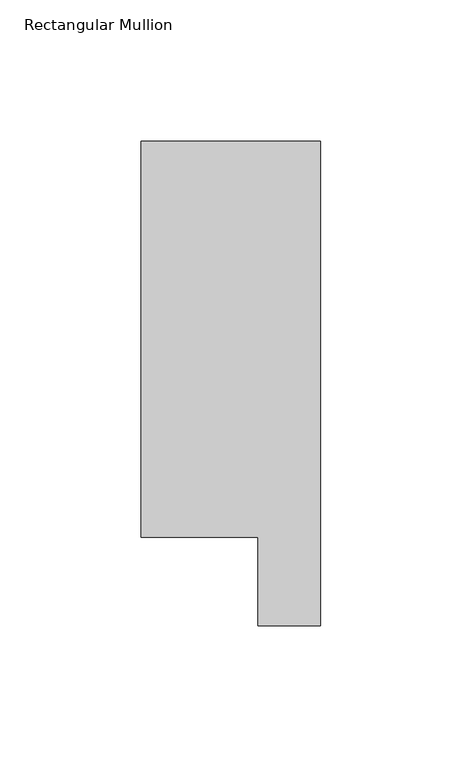
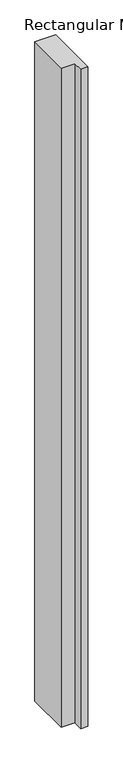
"""IFC4 building model written with IfcOpenShell, lengths in millimetres: member geometry, Rectangular Mullion."""

from ifc_helpers import new_model, si_unit, frame, origin, place, context, project, spatial, polyline, outline, extrude, source, transform, mapped, element, save


def rectangular_mullion_3d554b89(model_context):
    return source(origin(), model_context, "Body", "SweptSolid", [
        extrude(outline(polyline([(31.75, 190.7881313), (31.75, 19.5667313), (9.5377, 19.5667313), (9.5377, 50.820278), (-31.75, 50.820278), (-31.75, 190.7881313), (31.75, 190.7881313)])), frame((0.0, 0.0, -2133.6), z_axis=(0.0, 0.0, 1.0), x_axis=(1.0, 0.0, 0.0)), (0.0, 0.0, 1.0), 2133.6),
    ])


if __name__ == "__main__":
    model = new_model("IFC4")
    model_context = context("Model", 3, world=origin())
    ifc_project = project(units=[si_unit("LENGTHUNIT", "METRE", prefix="MILLI")], contexts=[model_context])
    site = spatial("IfcSite", under=ifc_project)
    building = spatial("IfcBuilding", under=site)
    placement = place(None, origin())
    rectangular_mullion_shape = rectangular_mullion_3d554b89(model_context)
    element("IfcMember", 1, ObjectType="Rectangular Mullion", at=placement, inside=building, context=model_context, shape_type="MappedRepresentation", body=[
        mapped(rectangular_mullion_shape, transform((0.0, 0.0, 0.0), x_axis=(1.0, 0.0, 0.0), y_axis=(0.0, 1.0, 0.0), z_axis=(0.0, 0.0, 1.0))),
    ])
    save(model, "model.ifc")
